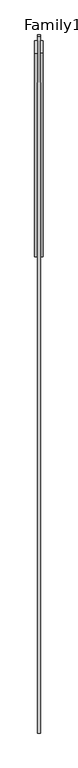
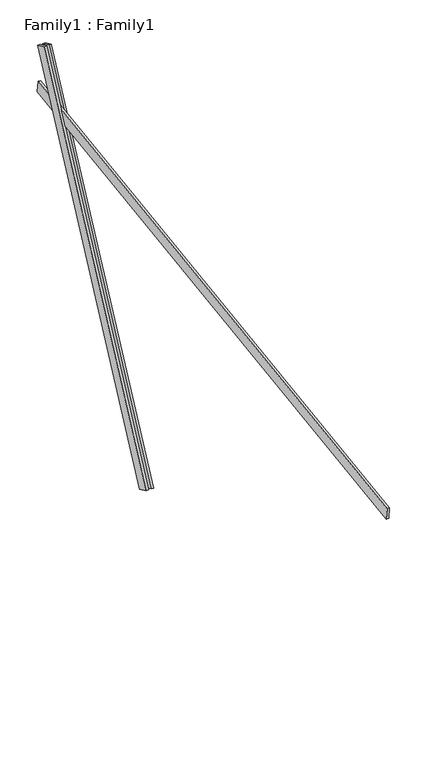
"""IFC4 building model written with IfcOpenShell, lengths in millimetres: proxy geometry, Family1 : Family1."""

from ifc_helpers import new_model, si_unit, frame, origin, place, context, project, spatial, polyline, outline, extrude, source, transform, mapped, element, save


def family1_family1_6b2cd862(model_context):
    return source(origin(), model_context, "Body", "SweptSolid", [
        extrude(outline(polyline([(0.0, 0.0), (0.0, -20.0), (-100.0000001, -20.0), (-100.0000001, 0.0), (0.0, 0.0)])), frame((-30.0, 46.3241747, -22.5938096), z_axis=(0.0, 0.4383711467890692, 0.8987940462991711), x_axis=(0.0, 0.8987940462991711, -0.4383711467890692)), (0.0, 0.0, 1.0), 3300.0),
        extrude(outline(polyline([(0.0, 0.0), (0.0, -20.0), (-99.9999999, -20.0), (-99.9999999, 0.0), (0.0, 0.0)])), frame((10.0, 45.270232, -22.0797674), z_axis=(0.0, 0.4383711467890692, 0.8987940462991711), x_axis=(0.0, 0.8987940462991711, -0.4383711467890692)), (0.0, 0.0, 1.0), 3300.0),
        extrude(outline(polyline([(0.0, -20.0), (0.0, 0.0), (5000.0, 0.0), (5000.0, -20.0), (0.0, -20.0)])), frame((-10.0, -3418.141421, 1813.2381713), z_axis=(0.0, -0.13917310096006302, 0.9902680687415707), x_axis=(0.0, 0.9902680687415707, 0.13917310096006302)), (0.0, 0.0, 1.0), 100.0),
    ])


if __name__ == "__main__":
    model = new_model("IFC4")
    model_context = context("Model", 3, world=origin())
    ifc_project = project(units=[si_unit("LENGTHUNIT", "METRE", prefix="MILLI")], contexts=[model_context])
    site = spatial("IfcSite", under=ifc_project)
    building = spatial("IfcBuilding", under=site)
    placement = place(None, origin())
    family1_family1_shape = family1_family1_6b2cd862(model_context)
    element("IfcBuildingElementProxy", 1, Name="Family1 : Family1", ObjectType="Family1 : Family1", at=placement, inside=building, context=model_context, shape_type="MappedRepresentation", body=[
        mapped(family1_family1_shape, transform((0.0, 0.0, 0.0), x_axis=(1.0, 0.0, 0.0), y_axis=(0.0, 1.0, 0.0), z_axis=(0.0, 0.0, 1.0))),
    ])
    save(model, "model.ifc")
